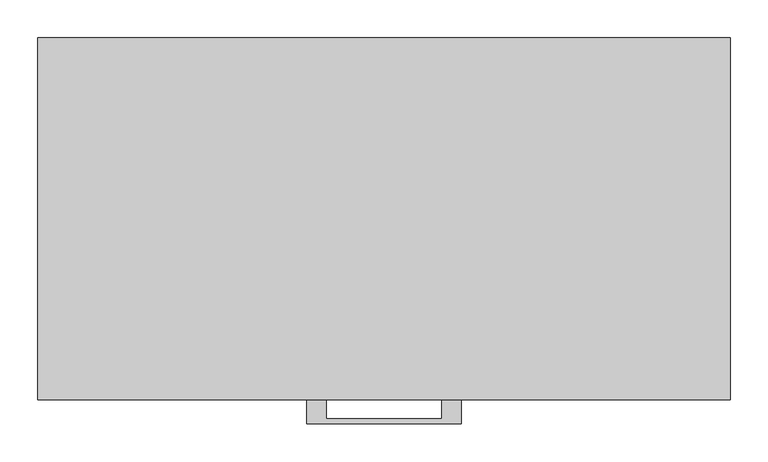
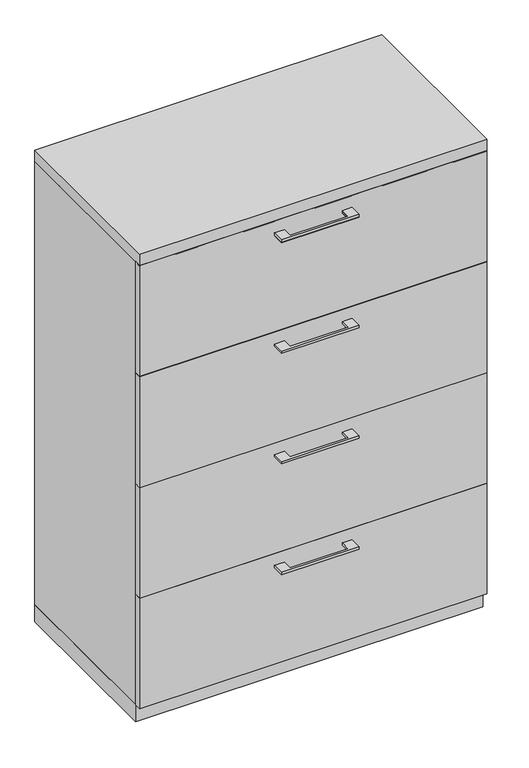
"""IFC4 building model written with IfcOpenShell, lengths in millimetres: furniture geometry."""

from ifc_helpers import new_model, si_unit, frame, origin, origin_with_axes, place, context, project, spatial, polyline, outline, extrude, source, transform, mapped, element, save


def furniture_661d045a(model_context):
    return source(origin(), model_context, "Body", "SweptSolid", [
        extrude(outline(polyline([(-76.1999818, -476.25), (-76.1999818, -501.6499758), (76.2, -501.6499758), (76.2, -476.25), (101.5999939, -476.25), (101.5999939, -507.9999879), (-101.5999939, -507.9999879), (-101.5999939, -476.25), (-76.1999818, -476.25)])), frame((0.0, 0.0, 1236.6625506), z_axis=(0.0, 0.0, 1.0), x_axis=(1.0, 0.0, 0.0)), (0.0, 0.0, 1.0), 6.3499758),
        extrude(outline(polyline([(455.6125, -457.2), (455.6125, -476.25), (-455.6125, -476.25), (-455.6125, -457.2), (455.6125, -457.2)])), frame((0.0, 0.0, 969.16875), z_axis=(0.0, 0.0, 1.0), x_axis=(1.0, 0.0, 0.0)), (0.0, 0.0, 1.0), 307.18125),
        extrude(outline(polyline([(-76.1999818, -476.25), (-76.1999818, -501.6499758), (76.2, -501.6499758), (76.2, -476.25), (101.5999939, -476.25), (101.5999939, -507.9999879), (-101.5999939, -507.9999879), (-101.5999939, -476.25), (-76.1999818, -476.25)])), frame((0.0, 0.0, 1235.2338006), z_axis=(0.0, 0.0, 1.0), x_axis=(1.0, 0.0, 0.0)), (0.0, 0.0, 1.0), 6.3499758),
        extrude(outline(polyline([(455.6125, -457.2), (455.6125, -476.25), (-455.6125, -476.25), (-455.6125, -457.2), (455.6125, -457.2)])), frame((0.0, 0.0, 967.74), z_axis=(0.0, 0.0, 1.0), x_axis=(1.0, 0.0, 0.0)), (0.0, 0.0, 1.0), 307.18125),
        extrude(outline(polyline([(-76.1999818, -476.25), (-76.1999818, -501.6499758), (76.2, -501.6499758), (76.2, -476.25), (101.5999939, -476.25), (101.5999939, -507.9999879), (-101.5999939, -507.9999879), (-101.5999939, -476.25), (-76.1999818, -476.25)])), frame((0.0, 0.0, 928.5288006), z_axis=(0.0, 0.0, 1.0), x_axis=(1.0, 0.0, 0.0)), (0.0, 0.0, 1.0), 6.3499758),
        extrude(outline(polyline([(455.6125, -457.2), (455.6125, -476.25), (-455.6125, -476.25), (-455.6125, -457.2), (455.6125, -457.2)])), frame((0.0, 0.0, 661.035), z_axis=(0.0, 0.0, 1.0), x_axis=(1.0, 0.0, 0.0)), (0.0, 0.0, 1.0), 307.18125),
        extrude(outline(polyline([(-76.1999818, -476.25), (-76.1999818, -501.6499758), (76.2, -501.6499758), (76.2, -476.25), (101.5999939, -476.25), (101.5999939, -507.9999879), (-101.5999939, -507.9999879), (-101.5999939, -476.25), (-76.1999818, -476.25)])), frame((0.0, 0.0, 622.3000506), z_axis=(0.0, 0.0, 1.0), x_axis=(1.0, 0.0, 0.0)), (0.0, 0.0, 1.0), 6.3499758),
        extrude(outline(polyline([(455.6125, -457.2), (455.6125, -476.25), (-455.6125, -476.25), (-455.6125, -457.2), (455.6125, -457.2)])), frame((0.0, 0.0, 354.80625), z_axis=(0.0, 0.0, 1.0), x_axis=(1.0, 0.0, 0.0)), (0.0, 0.0, 1.0), 307.18125),
        extrude(outline(polyline([(-76.1999818, -476.25), (-76.1999818, -501.6499758), (76.2, -501.6499758), (76.2, -476.25), (101.5999939, -476.25), (101.5999939, -507.9999879), (-101.5999939, -507.9999879), (-101.5999939, -476.25), (-76.1999818, -476.25)])), frame((0.0, 0.0, 315.1188006), z_axis=(0.0, 0.0, 1.0), x_axis=(1.0, 0.0, 0.0)), (0.0, 0.0, 1.0), 6.3499758),
        extrude(outline(polyline([(455.6125, -457.2), (455.6125, -476.25), (-455.6125, -476.25), (-455.6125, -457.2), (455.6125, -457.2)])), frame((0.0, 0.0, 47.625), z_axis=(0.0, 0.0, 1.0), x_axis=(1.0, 0.0, 0.0)), (0.0, 0.0, 1.0), 307.18125),
        extrude(outline(polyline([(455.6125, 0.0), (455.6125, -457.2), (-455.6125, -457.2), (-455.6125, 0.0), (455.6125, 0.0)])), origin_with_axes(), (0.0, 0.0, 1.0), 47.625),
        extrude(outline(polyline([(455.6125, 0.0), (455.6125, -476.25), (-455.6125, -476.25), (-455.6125, 0.0), (455.6125, 0.0)])), frame((0.0, 0.0, 1276.35), z_axis=(0.0, 0.0, 1.0), x_axis=(1.0, 0.0, 0.0)), (0.0, 0.0, 1.0), 31.75),
        extrude(outline(polyline([(455.6125, 0.0), (455.6125, -457.2), (436.5625, -457.2), (436.5625, -19.05), (-436.5625, -19.05), (-436.5625, -457.2), (-455.6125, -457.2), (-455.6125, 0.0), (455.6125, 0.0)])), frame((0.0, 0.0, 47.625), z_axis=(0.0, 0.0, 1.0), x_axis=(1.0, 0.0, 0.0)), (0.0, 0.0, 1.0), 1228.725),
    ])


if __name__ == "__main__":
    model = new_model("IFC4")
    model_context = context("Model", 3, world=origin())
    ifc_project = project(units=[si_unit("LENGTHUNIT", "METRE", prefix="MILLI")], contexts=[model_context])
    site = spatial("IfcSite", under=ifc_project)
    building = spatial("IfcBuilding", under=site)
    placement = place(None, origin())
    furniture_shape = furniture_661d045a(model_context)
    element("IfcFurniture", 1, at=placement, inside=building, context=model_context, shape_type="MappedRepresentation", body=[
        mapped(furniture_shape, transform((0.0, 0.0, 0.0), x_axis=(1.0, 0.0, 0.0), y_axis=(0.0, 1.0, 0.0), z_axis=(0.0, 0.0, 1.0))),
    ])
    save(model, "model.ifc")
